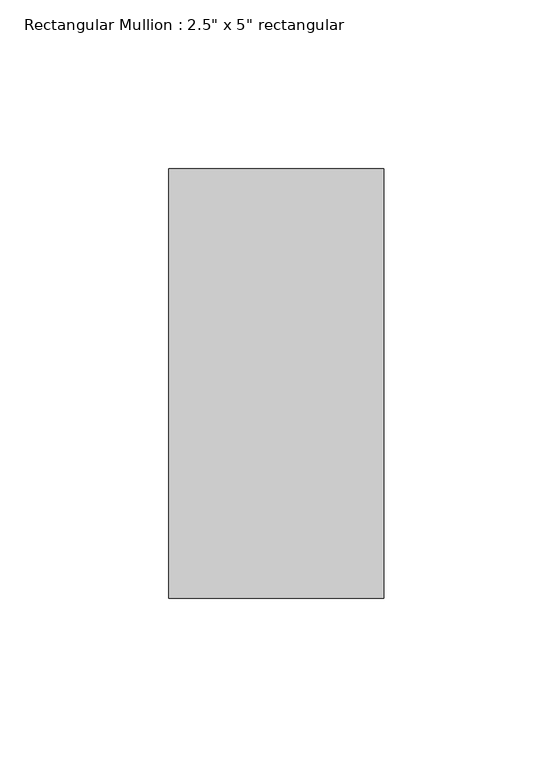
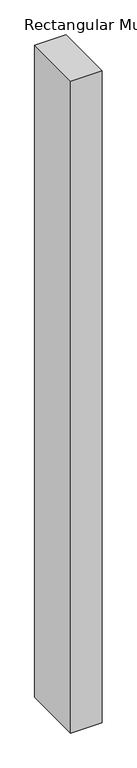
"""IFC4 building model written with IfcOpenShell, lengths in millimetres: member geometry."""

from ifc_helpers import new_model, si_unit, frame, origin, place, context, project, spatial, polyline, outline, extrude, source, transform, mapped, element, save


def member_41dcc1f0(model_context):
    return source(origin(), model_context, "Body", "SweptSolid", [
        extrude(outline(polyline([(31.75, 63.5), (31.75, -63.5), (-31.75, -63.5), (-31.75, 63.5), (31.75, 63.5)])), frame((0.0, 0.0, -1403.35), z_axis=(0.0, 0.0, 1.0), x_axis=(1.0, 0.0, 0.0)), (0.0, 0.0, 1.0), 1403.35),
    ])


if __name__ == "__main__":
    model = new_model("IFC4")
    model_context = context("Model", 3, world=origin())
    ifc_project = project(units=[si_unit("LENGTHUNIT", "METRE", prefix="MILLI")], contexts=[model_context])
    site = spatial("IfcSite", under=ifc_project)
    building = spatial("IfcBuilding", under=site)
    placement = place(None, origin())
    member_shape = member_41dcc1f0(model_context)
    element("IfcMember", 1, ObjectType="Rectangular Mullion : 2.5\" x 5\" rectangular", at=placement, inside=building, context=model_context, shape_type="MappedRepresentation", body=[
        mapped(member_shape, transform((0.0, 0.0, 0.0), x_axis=(1.0, 0.0, 0.0), y_axis=(0.0, 1.0, 0.0), z_axis=(0.0, 0.0, 1.0))),
    ])
    save(model, "model.ifc")
